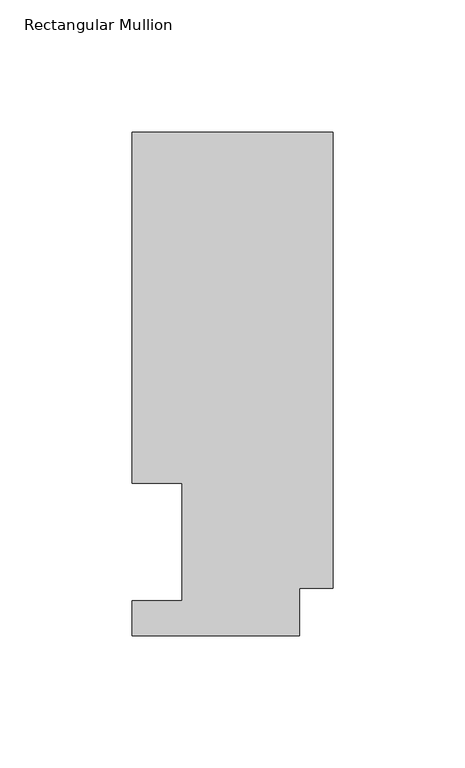
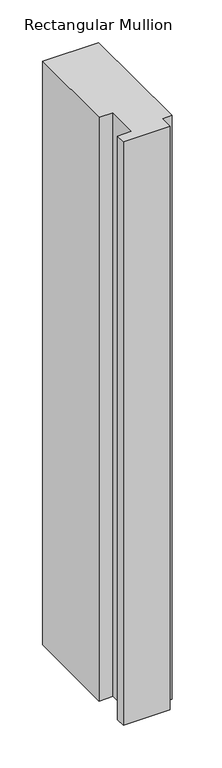
"""IFC4 building model written with IfcOpenShell, lengths in millimetres: member geometry, Rectangular Mullion."""

from ifc_helpers import new_model, si_unit, frame, origin, place, context, project, spatial, polyline, outline, extrude, source, transform, mapped, element, save


def rectangular_mullion_70b2bd6a(model_context):
    return source(origin(), model_context, "Body", "SweptSolid", [
        extrude(outline(polyline([(0.0, 190.5896937), (0.0, 17.9712937), (-12.7, 17.9712937), (-12.7, 0.0134937), (-76.2, 0.0134937), (-76.2, 13.1960937), (-57.15, 13.1960937), (-57.15, 57.6460937), (-76.2, 57.6460937), (-76.2, 190.5896937), (0.0, 190.5896937)])), frame((0.0, 0.0, -838.2), z_axis=(0.0, 0.0, 1.0), x_axis=(1.0, 0.0, 0.0)), (0.0, 0.0, 1.0), 838.2),
    ])


if __name__ == "__main__":
    model = new_model("IFC4")
    model_context = context("Model", 3, world=origin())
    ifc_project = project(units=[si_unit("LENGTHUNIT", "METRE", prefix="MILLI")], contexts=[model_context])
    site = spatial("IfcSite", under=ifc_project)
    building = spatial("IfcBuilding", under=site)
    placement = place(None, origin())
    rectangular_mullion_shape = rectangular_mullion_70b2bd6a(model_context)
    element("IfcMember", 1, ObjectType="Rectangular Mullion", at=placement, inside=building, context=model_context, shape_type="MappedRepresentation", body=[
        mapped(rectangular_mullion_shape, transform((0.0, 0.0, 0.0), x_axis=(1.0, 0.0, 0.0), y_axis=(0.0, 1.0, 0.0), z_axis=(0.0, 0.0, 1.0))),
    ])
    save(model, "model.ifc")
